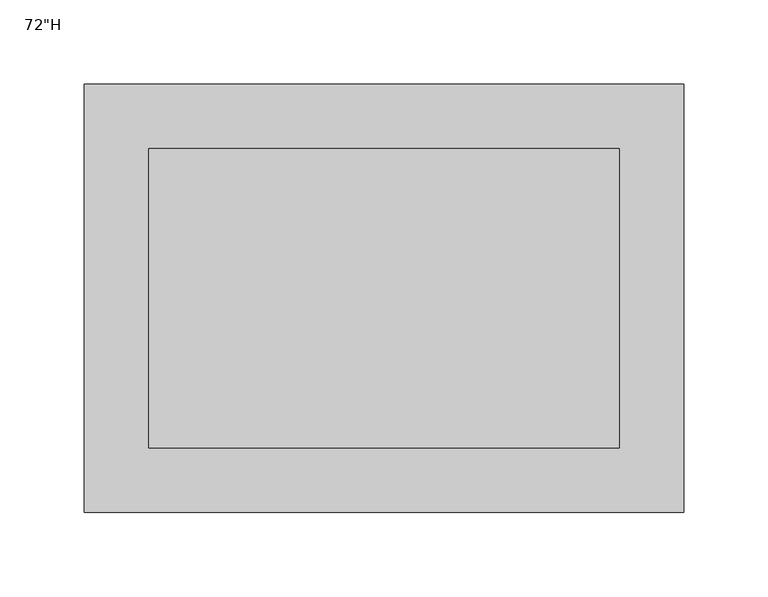
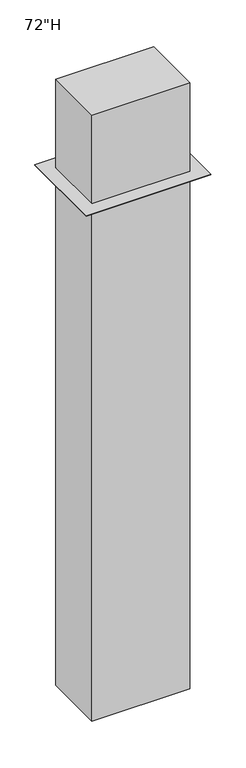
"""IFC4 building model written with IfcOpenShell, lengths in millimetres: furniture geometry."""

from ifc_helpers import new_model, si_unit, frame, origin, place, context, project, spatial, polyline, outline, extrude, source, transform, mapped, element, save


def furniture_4e797159(model_context):
    return source(origin(), model_context, "Body", "SweptSolid", [
        extrude(outline(polyline([(-139.7, -215.9000019), (-139.7, -38.0999989), (139.6999879, -38.0999989), (139.6999879, -215.9000019), (-139.7, -215.9000019)])), frame((0.0, 0.0, 1238.25), z_axis=(0.0, 0.0, 1.0), x_axis=(1.0, 0.0, 0.0)), (0.0, 0.0, 1.0), 1828.8),
        extrude(outline(polyline([(-177.8, 0.0), (177.8, 0.0), (177.8, -254.0), (-177.8, -254.0), (-177.8, 0.0)]), holes=[polyline([(139.6999879, -38.0999989), (-139.7, -38.0999989), (-139.7, -215.9000019), (139.6999879, -215.9000019), (139.6999879, -38.0999989)])]), frame((0.0, 0.0, 2798.7625), z_axis=(0.0, 0.0, 1.0), x_axis=(1.0, 0.0, 0.0)), (0.0, 0.0, 1.0), 1.5875),
    ])


if __name__ == "__main__":
    model = new_model("IFC4")
    model_context = context("Model", 3, world=origin())
    ifc_project = project(units=[si_unit("LENGTHUNIT", "METRE", prefix="MILLI")], contexts=[model_context])
    site = spatial("IfcSite", under=ifc_project)
    building = spatial("IfcBuilding", under=site)
    placement = place(None, origin())
    furniture_shape = furniture_4e797159(model_context)
    element("IfcFurniture", 1, ObjectType="72\"H", at=placement, inside=building, context=model_context, shape_type="MappedRepresentation", body=[
        mapped(furniture_shape, transform((0.0, 0.0, 0.0), x_axis=(1.0, 0.0, 0.0), y_axis=(0.0, 1.0, 0.0), z_axis=(0.0, 0.0, 1.0))),
    ])
    save(model, "model.ifc")
